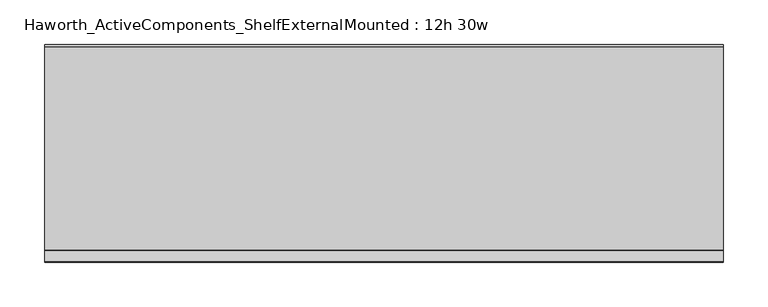
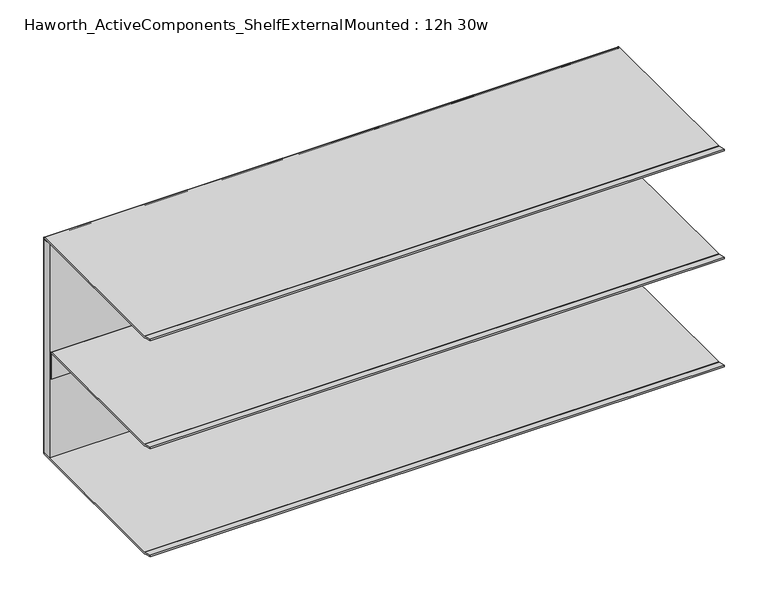
"""IFC4 building model written with IfcOpenShell, lengths in millimetres: furniture geometry, Haworth_ActiveComponents_ShelfExternalMounted : 12h 30w."""

from ifc_helpers import new_model, si_unit, point, frame, frame_2d, origin, place, context, project, spatial, polyline, circle_curve, trimmed, segment, composite_curve, outline, extrude, source, transform, mapped, element, save


def haworth_activecomponents_shelfexternalmounted_12h_30w_68fef9a7(model_context):
    return source(origin(), model_context, "Body", "SweptSolid", [
        extrude(outline(polyline([(-2031.946931, -1108.8104248), (-2031.946931, -1096.1601932), (-1269.946931, -1096.1601932), (-1269.946931, -1108.8104248), (-2031.946931, -1108.8104248)])), frame((0.0, 0.0, 587.0955999), z_axis=(0.0, 0.0, 1.0), x_axis=(1.0, 0.0, 0.0)), (0.0, 0.0, 1.0), 299.0087945),
        extrude(outline(composite_curve([segment(polyline([(-1097.380424, 584.2), (-1325.9274211, 584.2)]), True, "CONTINUOUS"), segment(trimmed(circle_curve(frame_2d((-1325.9274211, 587.375)), 3.175), [point((-1325.9274211, 584.2))], [point((-1326.7491675, 584.3081844))], False, "CARTESIAN"), True, "CONTINUOUS"), segment(polyline([(-1326.7491675, 584.3081844), (-1338.9841932, 587.5865324), (-1338.4911456, 589.426621), (-1326.4983733, 586.2131843)]), True, "CONTINUOUS"), segment(trimmed(circle_curve(frame_2d((-1325.6766268, 589.2799999)), 3.175), [point((-1326.4983733, 586.2131843))], [point((-1325.6766268, 586.1049999))], True, "CARTESIAN"), True, "CONTINUOUS"), segment(polyline([(-1325.6766268, 586.1049999), (-1097.1943019, 586.1049999)]), True, "CONTINUOUS"), segment(trimmed(circle_curve(frame_2d((-1097.1943019, 587.1888762)), 1.0838764), [point((-1097.1943019, 586.1049999))], [point((-1096.1104256, 587.1888762))], True, "CARTESIAN"), True, "CONTINUOUS"), segment(polyline([(-1096.1104256, 587.1888762), (-1096.1104256, 886.0673706)]), True, "CONTINUOUS"), segment(trimmed(circle_curve(frame_2d((-1097.1380502, 886.0673706)), 1.0276247), [point((-1096.1104256, 886.0673706))], [point((-1097.1380502, 887.0949953))], True, "CARTESIAN"), True, "CONTINUOUS"), segment(polyline([(-1097.1380502, 887.0949953), (-1325.8780783, 887.0949953)]), True, "CONTINUOUS"), segment(trimmed(circle_curve(frame_2d((-1325.8780783, 890.2699953)), 3.175), [point((-1325.8780783, 887.0949953))], [point((-1326.6998504, 887.2031866))], False, "CARTESIAN"), True, "CONTINUOUS"), segment(polyline([(-1326.6998504, 887.2031866), (-1338.9344324, 890.4815255), (-1338.4413666, 892.3216203), (-1326.4490248, 889.1081913)]), True, "CONTINUOUS"), segment(trimmed(circle_curve(frame_2d((-1325.6272527, 892.175)), 3.175), [point((-1326.4490248, 889.1081913))], [point((-1325.6272527, 889.0))], True, "CARTESIAN"), True, "CONTINUOUS"), segment(polyline([(-1325.6272527, 889.0), (-1097.380424, 889.0)]), True, "CONTINUOUS"), segment(trimmed(circle_curve(frame_2d((-1097.380424, 885.825)), 3.175), [point((-1097.380424, 889.0))], [point((-1094.205424, 885.825))], False, "CARTESIAN"), True, "CONTINUOUS"), segment(polyline([(-1094.205424, 885.825), (-1094.205424, 587.375)]), True, "CONTINUOUS"), segment(trimmed(circle_curve(frame_2d((-1097.380424, 587.375)), 3.175), [point((-1094.205424, 587.375))], [point((-1097.380424, 584.2))], False, "CARTESIAN"), True, "CONTINUOUS")], self_intersect=False)), frame((-2031.946931, 0.0, 0.0), z_axis=(1.0, 0.0, 0.0), x_axis=(0.0, 1.0, 0.0)), (0.0, 0.0, 1.0), 762.0),
        extrude(outline(composite_curve([segment(polyline([(-1338.9344324, 739.0213301), (-1338.4413666, 740.8614249), (-1326.4490005, 737.6479893)]), True, "CONTINUOUS"), segment(trimmed(circle_curve(frame_2d((-1325.6272283, 740.714798)), 3.175), [point((-1326.4490005, 737.6479893))], [point((-1325.6272283, 737.539798))], True, "CARTESIAN"), True, "CONTINUOUS"), segment(polyline([(-1325.6272283, 737.539798), (-1113.319713, 737.539798)]), True, "CONTINUOUS"), segment(trimmed(circle_curve(frame_2d((-1113.319713, 734.5545084)), 2.9852896), [point((-1113.319713, 737.539798))], [point((-1110.3344234, 734.5545084))], False, "CARTESIAN"), True, "CONTINUOUS"), segment(polyline([(-1110.3344234, 734.5545084), (-1110.3344234, 699.439798), (-1112.2394238, 699.439798), (-1112.2394238, 734.6253876)]), True, "CONTINUOUS"), segment(trimmed(circle_curve(frame_2d((-1113.248836, 734.6253876)), 1.0094122), [point((-1112.2394238, 734.6253876))], [point((-1113.248836, 735.6347998))], True, "CARTESIAN"), True, "CONTINUOUS"), segment(polyline([(-1113.248836, 735.6347998), (-1325.8780783, 735.6347998)]), True, "CONTINUOUS"), segment(trimmed(circle_curve(frame_2d((-1325.8780783, 738.8097998)), 3.175), [point((-1325.8780783, 735.6347998))], [point((-1326.6998504, 735.7429911))], False, "CARTESIAN"), True, "CONTINUOUS"), segment(polyline([(-1326.6998504, 735.7429911), (-1338.9344324, 739.0213301)]), True, "CONTINUOUS")], self_intersect=False)), frame((-2031.946931, 0.0, 0.0), z_axis=(1.0, 0.0, 0.0), x_axis=(0.0, 1.0, 0.0)), (0.0, 0.0, 1.0), 762.0),
    ])


if __name__ == "__main__":
    model = new_model("IFC4")
    model_context = context("Model", 3, world=origin())
    ifc_project = project(units=[si_unit("LENGTHUNIT", "METRE", prefix="MILLI")], contexts=[model_context])
    site = spatial("IfcSite", under=ifc_project)
    building = spatial("IfcBuilding", under=site)
    placement = place(None, origin())
    haworth_activecomponents_shelfexternalmounted_12h_30w_shape = haworth_activecomponents_shelfexternalmounted_12h_30w_68fef9a7(model_context)
    element("IfcFurniture", 1, ObjectType="Haworth_ActiveComponents_ShelfExternalMounted : 12h 30w", at=placement, inside=building, context=model_context, shape_type="MappedRepresentation", body=[
        mapped(haworth_activecomponents_shelfexternalmounted_12h_30w_shape, transform((0.0, 0.0, 0.0), x_axis=(1.0, 0.0, 0.0), y_axis=(0.0, 1.0, 0.0), z_axis=(0.0, 0.0, 1.0))),
    ])
    save(model, "model.ifc")
